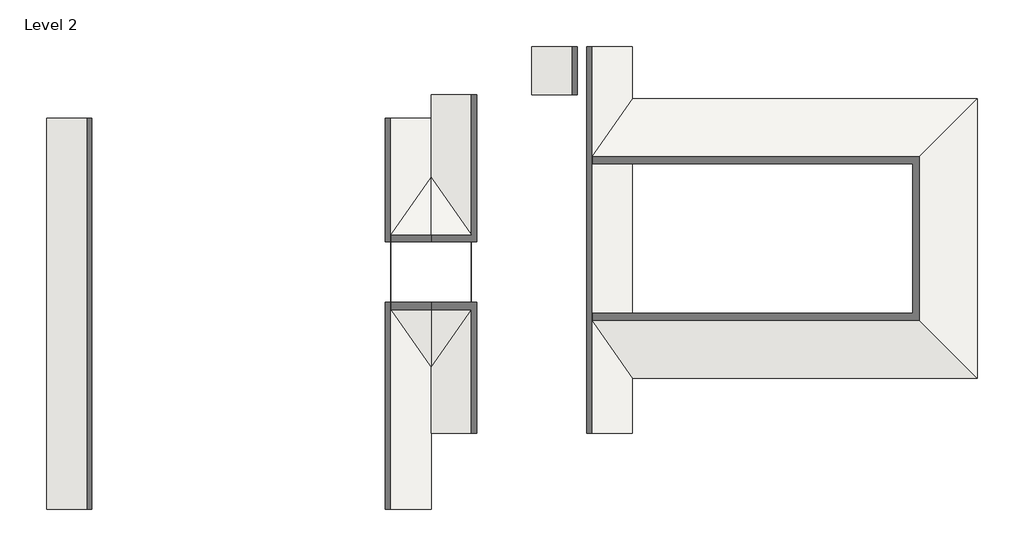
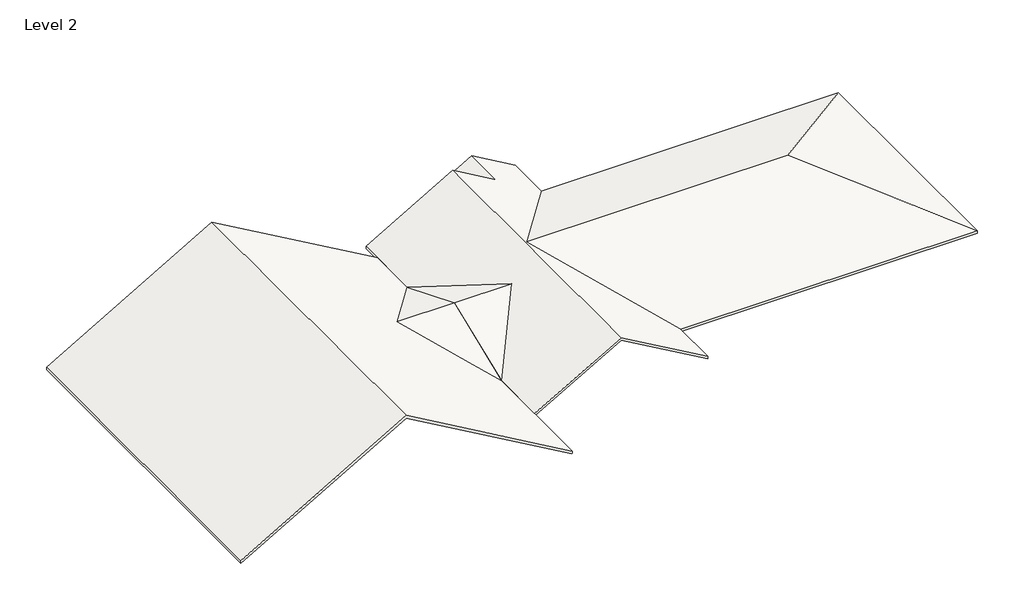
# One storey: 3 roofs.
"""IFC4 building model written with IfcOpenShell, lengths in millimetres."""

import ifcopenshell
import ifcopenshell.guid

model = None  # the IFC model being written
_history = None  # IfcOwnerHistory: only IFC2X3 demands one
_inside = {}  # id of a spatial element -> (the spatial element, [elements in it])
_under = {}  # id of a project, library or spatial element -> (it, [spatial elements below it])
_declared = {}  # id of a project -> (the project, [libraries it declares])
_typed = {}  # id of a type object -> (the type object, [elements of that type])
_made_of = {}  # id of a material, layer set ... -> (it, [elements and type objects made of it])


def new_model(schema):
    """Start an empty IFC model of exactly this schema.

    Asked for "IFC4X3", IfcOpenShell would pick the latest addendum, in which some entities
    have other attributes; the version numbers below select the first issue.
    IFC2X3 requires an IfcOwnerHistory on every rooted entity: one is made here for all.
    """
    global model, _history
    if schema == "IFC4X3":
        model = ifcopenshell.file(schema_version=(4, 3, 0, 0))
    else:
        model = ifcopenshell.file(schema=schema)
    _inside.clear()
    _under.clear()
    _declared.clear()
    _typed.clear()
    _made_of.clear()
    _history = None
    if model.schema == "IFC2X3":
        org = make("IfcOrganization", Name="unknown")
        user = make(
            "IfcPersonAndOrganization",
            ThePerson=make("IfcPerson", FamilyName="unknown"),
            TheOrganization=org,
        )
        app = make(
            "IfcApplication",
            ApplicationDeveloper=org,
            Version="unknown",
            ApplicationFullName="unknown",
            ApplicationIdentifier="unknown",
        )
        _history = make(
            "IfcOwnerHistory",
            OwningUser=user,
            OwningApplication=app,
            ChangeAction="ADDED",
            CreationDate=0,
        )
    return model


def make(cls, **values):
    """One entity of the class cls with the attributes given. An attribute that is None is left unset."""
    return model.create_entity(
        cls, **{name: value for name, value in values.items() if value is not None}
    )


def rooted(cls, **values):
    """An entity with a GlobalId (a new one), such as an element, a storey or a relation."""
    return make(cls, GlobalId=ifcopenshell.guid.new(), OwnerHistory=_history, **values)


def si_unit(unit_type, name, prefix=None):
    """IfcSIUnit, for example si_unit("LENGTHUNIT", "METRE", prefix="MILLI")."""
    return make("IfcSIUnit", UnitType=unit_type, Prefix=prefix, Name=name)


def assignment(units):
    """IfcUnitAssignment: the units of a project."""
    return None if units is None else make("IfcUnitAssignment", Units=units)


def point(xyz):
    """IfcCartesianPoint."""
    return None if xyz is None else make("IfcCartesianPoint", Coordinates=xyz)


def direction(xyz):
    """IfcDirection."""
    return None if xyz is None else make("IfcDirection", DirectionRatios=xyz)


def frame(location, z_axis=None, x_axis=None):
    """IfcAxis2Placement3D, a coordinate frame: its origin and axes. An axis left out is left unset."""
    return make(
        "IfcAxis2Placement3D",
        Location=point(location),
        Axis=direction(z_axis),
        RefDirection=direction(x_axis),
    )


def origin():
    """The frame at (0, 0, 0) with its axes left unset."""
    return frame((0.0, 0.0, 0.0))


def place(relative_to, where):
    """IfcLocalPlacement: puts the frame where relative to a parent placement (None: the world)."""
    return make(
        "IfcLocalPlacement", PlacementRelTo=relative_to, RelativePlacement=where
    )


def context(
    kind, dimensions, precision=None, world=None, true_north=None, identifier=None
):
    """IfcGeometricRepresentationContext, for example the 3D "Model" context."""
    return make(
        "IfcGeometricRepresentationContext",
        ContextIdentifier=identifier,
        ContextType=kind,
        CoordinateSpaceDimension=dimensions,
        Precision=precision,
        WorldCoordinateSystem=world,
        TrueNorth=true_north,
    )


def project(units=None, contexts=None):
    """IfcProject with its units and contexts."""
    return rooted(
        "IfcProject",
        Name="project",
        RepresentationContexts=contexts,
        UnitsInContext=assignment(units),
    )


def spatial(cls, under=None, at=None, **own):
    """A site, building, storey or space (cls), placed at a placement, below another one or the project."""
    s = rooted(cls, ObjectPlacement=at, **own)
    if under is not None:
        _under.setdefault(under.id(), (under, []))[1].append(s)
    return s


def faces_of(points, faces, orient=None, outer=None):
    """IfcFace entities. A face is a list of loops; a loop is a list of indices into points, from 0.

    orient and outer hold one flag for each loop. By default every Orientation is true, the
    first loop of a face is its IfcFaceOuterBound and the others are IfcFaceBound.
    """
    made = []
    for i, loops in enumerate(faces):
        bounds = []
        for j, loop in enumerate(loops):
            is_outer = j == 0 if outer is None else outer[i][j]
            bounds.append(
                make(
                    "IfcFaceOuterBound" if is_outer else "IfcFaceBound",
                    Bound=make("IfcPolyLoop", Polygon=[points[k] for k in loop]),
                    Orientation=True if orient is None else orient[i][j],
                )
            )
        made.append(make("IfcFace", Bounds=bounds))
    return made


def faceted_brep(points, faces, orient=None, outer=None, voids=None):
    """IfcFacetedBrep: a solid bounded by flat faces; with voids (closed shells), ...WithVoids."""
    shared = [point(p) for p in points]
    hull = make("IfcClosedShell", CfsFaces=faces_of(shared, faces, orient, outer))
    if voids is None:
        return make("IfcFacetedBrep", Outer=hull)
    return make(
        "IfcFacetedBrepWithVoids",
        Outer=hull,
        Voids=[
            make(cls, CfsFaces=faces_of(shared, fs, o, b)) for cls, fs, o, b in voids
        ],
    )


def shape(context_of_items, identifier, shape_type, items):
    """IfcShapeRepresentation: the items that make up one representation, for example the "Body"."""
    return make(
        "IfcShapeRepresentation",
        ContextOfItems=context_of_items,
        RepresentationIdentifier=identifier,
        RepresentationType=shape_type,
        Items=items,
    )


def made_of(thing, what):
    """Note that an element or type object is made of a material, layer set ...; save() writes the relation."""
    if what is not None:
        _made_of.setdefault(what.id(), (what, []))[1].append(thing)
    return thing


def element(
    cls,
    number,
    at=None,
    inside=None,
    cuts=None,
    type_object=None,
    material=None,
    context=None,
    identifier="Body",
    shape_type=None,
    held_by="IfcProductDefinitionShape",
    body=None,
    shapes=None,
    **own,
):
    """One element of the class cls, such as IfcWall. Its Tag is "e" and its number.

    at: its placement. inside: the storey or other place that contains it. cuts: it is an
    opening in that element (IfcRelVoidsElement). A single representation is given by context,
    identifier, shape_type and body (its items); several are given by shapes. held_by: the class
    of the entity that holds the representations. save() writes the other relations.
    """
    e = rooted(cls, Tag="e%d" % number, ObjectPlacement=at, **own)
    if body is not None:
        shapes = [shape(context, identifier, shape_type, body)]
    if shapes is not None:
        e.Representation = make(held_by, Representations=shapes)
    if inside is not None:
        _inside.setdefault(inside.id(), (inside, []))[1].append(e)
    if cuts is not None:
        rooted(
            "IfcRelVoidsElement", RelatingBuildingElement=cuts, RelatedOpeningElement=e
        )
    if type_object is not None:
        _typed.setdefault(type_object.id(), (type_object, []))[1].append(e)
    return made_of(e, material)


def aggregate(whole, parts):
    """IfcRelAggregates: a whole, such as a stair, and the parts it consists of."""
    return rooted("IfcRelAggregates", RelatingObject=whole, RelatedObjects=parts)


def save(model, path):
    """Write the relations noted so far, then the file.

    IfcRelAggregates (storeys below a building ...), IfcRelContainedInSpatialStructure (elements
    in a storey), IfcRelDefinesByType, IfcRelAssociatesMaterial and IfcRelDeclares: one each for
    every whole, place, type object, material and project.
    """
    for whole, parts in _under.values():
        aggregate(whole, parts)
    for where, things in _inside.values():
        rooted(
            "IfcRelContainedInSpatialStructure",
            RelatedElements=things,
            RelatingStructure=where,
        )
    for kind, things in _typed.values():
        rooted("IfcRelDefinesByType", RelatedObjects=things, RelatingType=kind)
    for what, things in _made_of.values():
        rooted("IfcRelAssociatesMaterial", RelatedObjects=things, RelatingMaterial=what)
    for by, libraries in _declared.values():
        rooted("IfcRelDeclares", RelatingContext=by, RelatedDefinitions=libraries)
    model.write(path)


model = new_model("IFC4")

# Units and contexts
model_context = context("Model", 3, world=origin())
ifc_project = project(units=[si_unit("LENGTHUNIT", "METRE", prefix="MILLI")], contexts=[model_context])

# Site, building, storey
site = spatial("IfcSite", under=ifc_project)
building = spatial("IfcBuilding", under=site)
storey = spatial("IfcBuildingStorey", under=building, Name="Level 2", Elevation=4000.0)

# Roofs
placement = place(None, origin())
element("IfcRoof", 1, ObjectType="Generic - 125mm", at=placement, inside=storey, context=model_context, shape_type="Brep", body=[
    faceted_brep([(-1220.8618613, 13826.4156518, 4000.0), (-1220.8618613, 11126.4156518, 4000.0), (-4264.965547, 6776.4156518, 5757.5140824), (-1220.8618613, 2426.4156518, 4000.0), (-1220.8618613, -4073.5843482, 4000.0), (-10012.616672, -4073.5843482, 9075.9220066), (-10012.616672, 13826.4156518, 9075.9220066), (-1204.3714828, 2426.4156518, 4000.0), (-1204.3714828, 6776.4156518, 5757.5140824), (-1204.3714828, 11126.4156518, 4000.0), (-18804.3714828, 13826.4156518, 4000.0), (-18804.3714828, -4073.5843482, 4000.0), (-1204.3714828, 13826.4156518, 4134.8168428), (-10012.616672, 13826.4156518, 9220.2595739), (-10012.616672, -4073.5843482, 9220.2595739), (-1204.3714828, -4073.5843482, 4134.8168428), (-1204.3714828, 2426.4156518, 4134.8168428), (-4248.4751685, 6776.4156518, 5892.3309252), (-1204.3714828, 11126.4156518, 4134.8168428), (-1204.3714828, 6776.4156518, 5892.3309252), (-18804.3714828, 13826.4156518, 4144.3375673), (-18804.3714828, -4073.5843482, 4144.3375673), (-1204.3714828, -4073.5843482, 4000.0), (-1204.3714828, -601.9477303, 4000.0), (-1204.3714828, 13826.4156518, 4000.0), (-1204.3714828, 11128.0522697, 4000.0)], [[[0, 1, 2, 3, 4, 5, 6]], [[7, 3, 2, 8]], [[1, 9, 8, 2]], [[10, 6, 5, 11]], [[12, 13, 14, 15, 16, 17, 18]], [[16, 19, 17]], [[18, 17, 19]], [[20, 21, 14, 13]], [[11, 21, 20, 10]], [[7, 16, 15, 22, 23]], [[24, 12, 18, 9, 25]], [[7, 23, 22, 4, 3]], [[24, 25, 9, 1, 0]], [[20, 13, 12, 24, 0, 6, 10]], [[15, 14, 21, 11, 5, 4, 22]], [[18, 19, 16, 7, 8, 9]]]),
])
element("IfcRoof", 2, ObjectType="Generic - 125mm", at=placement, inside=storey, context=model_context, shape_type="Brep", body=[
    faceted_brep([(-1187.8811043, -601.9477303, 4000.0), (-1187.8811043, 2428.0522697, 4000.0), (1856.2225814, 6778.0522697, 5757.5140824), (-1187.8811043, 11128.0522697, 4000.0), (-1187.8811043, 14898.0522697, 4000.0), (3395.6285172, 14898.0522697, 6646.2905138), (3403.8737065, 14898.0522697, 6651.050876), (3403.8737065, -601.9477303, 6651.050876), (-1204.3714828, 6778.0522697, 5757.5140824), (-1204.3714828, 11128.0522697, 4000.0), (-1204.3714828, 2428.0522697, 4000.0), (3395.6285172, 17098.0522697, 4000.0), (5695.6285172, 17098.0522697, 5327.9056191), (5695.6285172, 14898.0522697, 5327.9056191), (3395.6285172, 14898.0522697, 4000.0), (5570.6285172, 14898.0522697, 5400.0744028), (7995.6285172, 17098.0522697, 4000.0), (7995.6285172, 14714.1957095, 4000.0), (7995.6285172, 1914.1957095, 4000.0), (7995.6285172, -601.9477303, 4000.0), (7995.6285172, 17098.0522697, 4144.3375673), (5695.6285172, 17098.0522697, 5472.2431864), (5695.6285172, 14898.0522697, 5472.2431864), (3403.8737065, 14898.0522697, 6795.3884433), (3403.8737065, -601.9477303, 6795.3884433), (7995.6285172, -601.9477303, 4144.3375673), (7995.6285172, 1937.7603295, 4144.3375673), (7995.6285172, 2271.4437248, 4144.3375673), (7995.6285172, 14356.9476942, 4144.3375673), (7995.6285172, 14690.6310896, 4144.3375673), (3395.6285172, 14898.0522697, 6790.6280811), (-1204.3714828, 14898.0522697, 4134.8168428), (-1204.3714828, 11128.0522697, 4134.8168428), (1839.7322029, 6778.0522697, 5892.3309252), (-1204.3714828, 2428.0522697, 4134.8168428), (-1204.3714828, -601.9477303, 4134.8168428), (-1204.3714828, 6778.0522697, 5892.3309252), (3395.6285172, 17098.0522697, 4144.3375673), (3395.6285172, 14898.0522697, 4144.3375673), (-1204.3714828, 14898.0522697, 4000.0), (-1204.3714828, 13826.4156518, 4000.0), (-1204.3714828, 2426.4156518, 4000.0), (-1204.3714828, -601.9477303, 4000.0)], [[[0, 1, 2, 3, 4, 5, 6, 7]], [[3, 2, 8, 9]], [[2, 1, 10, 8]], [[11, 12, 13, 14]], [[7, 6, 15, 13, 12, 16, 17, 18, 19]], [[20, 21, 22, 23, 24, 25, 26, 27, 28, 29]], [[24, 23, 30, 31, 32, 33, 34, 35]], [[33, 32, 36]], [[34, 33, 36]], [[22, 21, 37, 38, 15]], [[25, 19, 18, 17, 16, 20, 29, 28, 27, 26]], [[38, 37, 11, 14]], [[32, 31, 39, 40, 9]], [[35, 34, 10, 41, 42]], [[4, 3, 9, 40, 39]], [[1, 0, 42, 41, 10]], [[0, 7, 19, 25, 24, 35, 42]], [[12, 11, 37, 21, 20, 16]], [[5, 4, 39, 31, 30, 23, 22, 15, 6]], [[14, 13, 15, 38]], [[9, 8, 10, 34, 36, 32]]]),
])
element("IfcRoof", 3, ObjectType="Generic - 125mm", at=placement, inside=storey, context=model_context, shape_type="Brep", body=[
    faceted_brep([(3766.9472325, 8314.1957095, 6585.7678453), (7995.6285172, 14356.9476942, 4144.3375673), (7995.6285172, 14714.1957095, 4000.0), (23795.6285172, 14714.1957095, 4000.0), (17395.6285172, 8314.1957095, 6585.7678453), (23795.6285172, 1914.1957095, 4000.0), (7995.6285172, 1914.1957095, 4000.0), (7995.6285172, 2271.4437248, 4144.3375673), (7995.6285172, 14714.1957095, 4134.8168428), (7995.6285172, 14690.6310896, 4144.3375673), (3533.437611, 8314.1957095, 6720.5846882), (17395.6285172, 8314.1957095, 6720.5846882), (23795.6285172, 14714.1957095, 4134.8168428), (23795.6285172, 1914.1957095, 4134.8168428), (7995.6285172, 1914.1957095, 4134.8168428), (7995.6285172, 1937.7603295, 4144.3375673)], [[[0, 1, 2, 3, 4]], [[5, 4, 3]], [[6, 7, 0, 4, 5]], [[8, 9, 10, 11, 12]], [[13, 12, 11]], [[14, 13, 11, 10, 15]], [[5, 13, 14, 6]], [[3, 12, 13, 5]], [[2, 8, 12, 3]], [[14, 15, 7, 6]], [[15, 10, 9, 1, 0, 7]], [[9, 8, 2, 1]]]),
])

save(model, "model.ifc")
